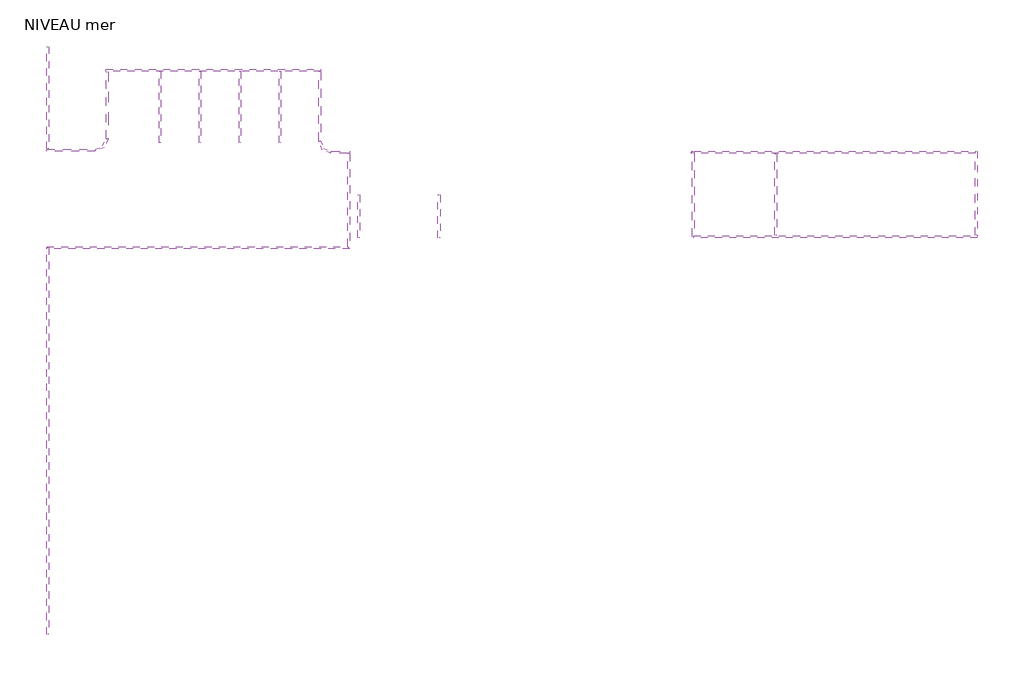
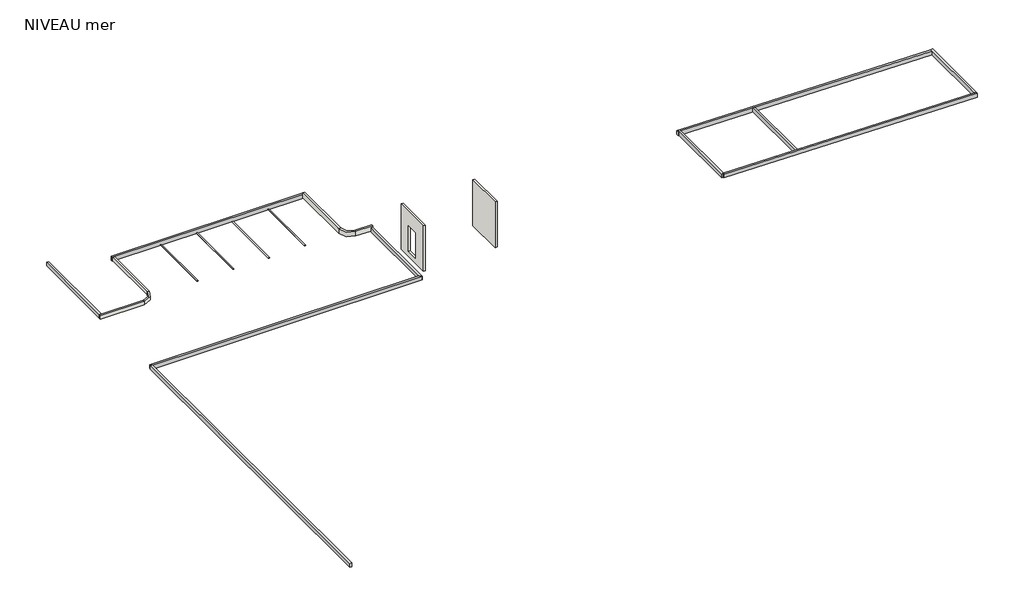
# One storey: 10 beams, 8 walls, 4 proxies.
"""IFC4 building model written with IfcOpenShell, lengths in millimetres."""

import ifcopenshell
import ifcopenshell.guid

model = None  # the IFC model being written
_history = None  # IfcOwnerHistory: only IFC2X3 demands one
_inside = {}  # id of a spatial element -> (the spatial element, [elements in it])
_under = {}  # id of a project, library or spatial element -> (it, [spatial elements below it])
_declared = {}  # id of a project -> (the project, [libraries it declares])
_typed = {}  # id of a type object -> (the type object, [elements of that type])
_made_of = {}  # id of a material, layer set ... -> (it, [elements and type objects made of it])


def new_model(schema):
    """Start an empty IFC model of exactly this schema.

    Asked for "IFC4X3", IfcOpenShell would pick the latest addendum, in which some entities
    have other attributes; the version numbers below select the first issue.
    IFC2X3 requires an IfcOwnerHistory on every rooted entity: one is made here for all.
    """
    global model, _history
    if schema == "IFC4X3":
        model = ifcopenshell.file(schema_version=(4, 3, 0, 0))
    else:
        model = ifcopenshell.file(schema=schema)
    _inside.clear()
    _under.clear()
    _declared.clear()
    _typed.clear()
    _made_of.clear()
    _history = None
    if model.schema == "IFC2X3":
        org = make("IfcOrganization", Name="unknown")
        user = make(
            "IfcPersonAndOrganization",
            ThePerson=make("IfcPerson", FamilyName="unknown"),
            TheOrganization=org,
        )
        app = make(
            "IfcApplication",
            ApplicationDeveloper=org,
            Version="unknown",
            ApplicationFullName="unknown",
            ApplicationIdentifier="unknown",
        )
        _history = make(
            "IfcOwnerHistory",
            OwningUser=user,
            OwningApplication=app,
            ChangeAction="ADDED",
            CreationDate=0,
        )
    return model


def make(cls, **values):
    """One entity of the class cls with the attributes given. An attribute that is None is left unset."""
    return model.create_entity(
        cls, **{name: value for name, value in values.items() if value is not None}
    )


def rooted(cls, **values):
    """An entity with a GlobalId (a new one), such as an element, a storey or a relation."""
    return make(cls, GlobalId=ifcopenshell.guid.new(), OwnerHistory=_history, **values)


def si_unit(unit_type, name, prefix=None):
    """IfcSIUnit, for example si_unit("LENGTHUNIT", "METRE", prefix="MILLI")."""
    return make("IfcSIUnit", UnitType=unit_type, Prefix=prefix, Name=name)


def assignment(units):
    """IfcUnitAssignment: the units of a project."""
    return None if units is None else make("IfcUnitAssignment", Units=units)


def point(xyz):
    """IfcCartesianPoint."""
    return None if xyz is None else make("IfcCartesianPoint", Coordinates=xyz)


def direction(xyz):
    """IfcDirection."""
    return None if xyz is None else make("IfcDirection", DirectionRatios=xyz)


def frame(location, z_axis=None, x_axis=None):
    """IfcAxis2Placement3D, a coordinate frame: its origin and axes. An axis left out is left unset."""
    return make(
        "IfcAxis2Placement3D",
        Location=point(location),
        Axis=direction(z_axis),
        RefDirection=direction(x_axis),
    )


def frame_2d(location, x_axis=None):
    """IfcAxis2Placement2D, a coordinate frame in the plane: its origin and x axis."""
    return make(
        "IfcAxis2Placement2D", Location=point(location), RefDirection=direction(x_axis)
    )


def origin():
    """The frame at (0, 0, 0) with its axes left unset."""
    return frame((0.0, 0.0, 0.0))


def origin_with_axes():
    """The frame at (0, 0, 0) with the z axis (0, 0, 1) and the x axis (1, 0, 0) written out."""
    return frame((0.0, 0.0, 0.0), z_axis=(0.0, 0.0, 1.0), x_axis=(1.0, 0.0, 0.0))


def place(relative_to, where):
    """IfcLocalPlacement: puts the frame where relative to a parent placement (None: the world)."""
    return make(
        "IfcLocalPlacement", PlacementRelTo=relative_to, RelativePlacement=where
    )


def context(
    kind, dimensions, precision=None, world=None, true_north=None, identifier=None
):
    """IfcGeometricRepresentationContext, for example the 3D "Model" context."""
    return make(
        "IfcGeometricRepresentationContext",
        ContextIdentifier=identifier,
        ContextType=kind,
        CoordinateSpaceDimension=dimensions,
        Precision=precision,
        WorldCoordinateSystem=world,
        TrueNorth=true_north,
    )


def project(units=None, contexts=None):
    """IfcProject with its units and contexts."""
    return rooted(
        "IfcProject",
        Name="project",
        RepresentationContexts=contexts,
        UnitsInContext=assignment(units),
    )


def spatial(cls, under=None, at=None, **own):
    """A site, building, storey or space (cls), placed at a placement, below another one or the project."""
    s = rooted(cls, ObjectPlacement=at, **own)
    if under is not None:
        _under.setdefault(under.id(), (under, []))[1].append(s)
    return s


def polyline(points):
    """IfcPolyline through the points."""
    return make("IfcPolyline", Points=[point(p) for p in points])


def circle_curve(where, radius):
    """IfcCircle in the frame where."""
    return make("IfcCircle", Position=where, Radius=radius)


def trimmed(basis, trim1, trim2, sense, master):
    """IfcTrimmedCurve: the piece of a basis curve between two trims."""
    return make(
        "IfcTrimmedCurve",
        BasisCurve=basis,
        Trim1=trim1,
        Trim2=trim2,
        SenseAgreement=sense,
        MasterRepresentation=master,
    )


def segment(curve, same_sense, transition):
    """IfcCompositeCurveSegment."""
    return make(
        "IfcCompositeCurveSegment",
        Transition=transition,
        SameSense=same_sense,
        ParentCurve=curve,
    )


def composite_curve(segments, self_intersect=None):
    """IfcCompositeCurve: segments joined end to end."""
    return make("IfcCompositeCurve", Segments=segments, SelfIntersect=self_intersect)


def outline(outer, holes=None, kind="AREA"):
    """IfcArbitraryClosedProfileDef: a profile drawn as a closed curve; with holes, ...WithVoids."""
    if holes is None:
        return make("IfcArbitraryClosedProfileDef", ProfileType=kind, OuterCurve=outer)
    return make(
        "IfcArbitraryProfileDefWithVoids",
        ProfileType=kind,
        OuterCurve=outer,
        InnerCurves=holes,
    )


def extrude(swept, where, along, depth):
    """IfcExtrudedAreaSolid: the profile swept, set in the frame where, extruded along a direction by depth."""
    return make(
        "IfcExtrudedAreaSolid",
        SweptArea=swept,
        Position=where,
        ExtrudedDirection=direction(along),
        Depth=depth,
    )


def faces_of(points, faces, orient=None, outer=None):
    """IfcFace entities. A face is a list of loops; a loop is a list of indices into points, from 0.

    orient and outer hold one flag for each loop. By default every Orientation is true, the
    first loop of a face is its IfcFaceOuterBound and the others are IfcFaceBound.
    """
    made = []
    for i, loops in enumerate(faces):
        bounds = []
        for j, loop in enumerate(loops):
            is_outer = j == 0 if outer is None else outer[i][j]
            bounds.append(
                make(
                    "IfcFaceOuterBound" if is_outer else "IfcFaceBound",
                    Bound=make("IfcPolyLoop", Polygon=[points[k] for k in loop]),
                    Orientation=True if orient is None else orient[i][j],
                )
            )
        made.append(make("IfcFace", Bounds=bounds))
    return made


def faceted_brep(points, faces, orient=None, outer=None, voids=None):
    """IfcFacetedBrep: a solid bounded by flat faces; with voids (closed shells), ...WithVoids."""
    shared = [point(p) for p in points]
    hull = make("IfcClosedShell", CfsFaces=faces_of(shared, faces, orient, outer))
    if voids is None:
        return make("IfcFacetedBrep", Outer=hull)
    return make(
        "IfcFacetedBrepWithVoids",
        Outer=hull,
        Voids=[
            make(cls, CfsFaces=faces_of(shared, fs, o, b)) for cls, fs, o, b in voids
        ],
    )


def shape(context_of_items, identifier, shape_type, items):
    """IfcShapeRepresentation: the items that make up one representation, for example the "Body"."""
    return make(
        "IfcShapeRepresentation",
        ContextOfItems=context_of_items,
        RepresentationIdentifier=identifier,
        RepresentationType=shape_type,
        Items=items,
    )


def source(mapping_origin, context_of_items, identifier, shape_type, items):
    """IfcRepresentationMap: a shape defined once, which mapped items show again and again."""
    return make(
        "IfcRepresentationMap",
        MappingOrigin=mapping_origin,
        MappedRepresentation=shape(context_of_items, identifier, shape_type, items),
    )


def transform(
    local_origin,
    x_axis=None,
    y_axis=None,
    z_axis=None,
    scale=None,
    scale2=None,
    scale3=None,
    uniform=True,
):
    """IfcCartesianTransformationOperator3D, or its non-uniform kind. x_axis, y_axis, z_axis: its Axis1, 2, 3."""
    if uniform:
        return make(
            "IfcCartesianTransformationOperator3D",
            Axis1=direction(x_axis),
            Axis2=direction(y_axis),
            LocalOrigin=point(local_origin),
            Scale=scale,
            Axis3=direction(z_axis),
        )
    return make(
        "IfcCartesianTransformationOperator3DnonUniform",
        Axis1=direction(x_axis),
        Axis2=direction(y_axis),
        LocalOrigin=point(local_origin),
        Scale=scale,
        Axis3=direction(z_axis),
        Scale2=scale2,
        Scale3=scale3,
    )


def mapped(mapping_source, mapping_target):
    """IfcMappedItem: shows the shape of a source again, moved by a transform."""
    return make(
        "IfcMappedItem", MappingSource=mapping_source, MappingTarget=mapping_target
    )


def made_of(thing, what):
    """Note that an element or type object is made of a material, layer set ...; save() writes the relation."""
    if what is not None:
        _made_of.setdefault(what.id(), (what, []))[1].append(thing)
    return thing


def element(
    cls,
    number,
    at=None,
    inside=None,
    cuts=None,
    type_object=None,
    material=None,
    context=None,
    identifier="Body",
    shape_type=None,
    held_by="IfcProductDefinitionShape",
    body=None,
    shapes=None,
    **own,
):
    """One element of the class cls, such as IfcWall. Its Tag is "e" and its number.

    at: its placement. inside: the storey or other place that contains it. cuts: it is an
    opening in that element (IfcRelVoidsElement). A single representation is given by context,
    identifier, shape_type and body (its items); several are given by shapes. held_by: the class
    of the entity that holds the representations. save() writes the other relations.
    """
    e = rooted(cls, Tag="e%d" % number, ObjectPlacement=at, **own)
    if body is not None:
        shapes = [shape(context, identifier, shape_type, body)]
    if shapes is not None:
        e.Representation = make(held_by, Representations=shapes)
    if inside is not None:
        _inside.setdefault(inside.id(), (inside, []))[1].append(e)
    if cuts is not None:
        rooted(
            "IfcRelVoidsElement", RelatingBuildingElement=cuts, RelatedOpeningElement=e
        )
    if type_object is not None:
        _typed.setdefault(type_object.id(), (type_object, []))[1].append(e)
    return made_of(e, material)


def aggregate(whole, parts):
    """IfcRelAggregates: a whole, such as a stair, and the parts it consists of."""
    return rooted("IfcRelAggregates", RelatingObject=whole, RelatedObjects=parts)


def save(model, path):
    """Write the relations noted so far, then the file.

    IfcRelAggregates (storeys below a building ...), IfcRelContainedInSpatialStructure (elements
    in a storey), IfcRelDefinesByType, IfcRelAssociatesMaterial and IfcRelDeclares: one each for
    every whole, place, type object, material and project.
    """
    for whole, parts in _under.values():
        aggregate(whole, parts)
    for where, things in _inside.values():
        rooted(
            "IfcRelContainedInSpatialStructure",
            RelatedElements=things,
            RelatingStructure=where,
        )
    for kind, things in _typed.values():
        rooted("IfcRelDefinesByType", RelatedObjects=things, RelatingType=kind)
    for what, things in _made_of.values():
        rooted("IfcRelAssociatesMaterial", RelatedObjects=things, RelatingMaterial=what)
    for by, libraries in _declared.values():
        rooted("IfcRelDeclares", RelatingContext=by, RelatedDefinitions=libraries)
    model.write(path)


def plane_surface(at):
    """IfcPlane: the flat surface through the origin of the frame at, square to its z axis."""
    return make("IfcPlane", Position=at)


def cylinder_surface(at, radius):
    """IfcCylindricalSurface: all points at the distance radius from the z axis of the frame at."""
    return make("IfcCylindricalSurface", Position=at, Radius=radius)


def revolved_surface(curve, axis_point, axis_direction):
    """IfcSurfaceOfRevolution: the curve turned about the line through axis_point along axis_direction."""
    return make(
        "IfcSurfaceOfRevolution",
        SweptCurve=make("IfcArbitraryOpenProfileDef", ProfileType="CURVE", Curve=curve),
        AxisPosition=make("IfcAxis1Placement", Location=point(axis_point), Axis=direction(axis_direction)),
    )


def advanced_brep(points, edges, surfaces, faces):
    """IfcAdvancedBrep: a solid bounded by faces that lie on surfaces and meet in shared edges.

    An edge is (start, end): straight between two places in points (the first is 0);
    or (start, end, curve); or (start, end, curve, False) where it runs against its curve.
    A face is (place in surfaces, loops), or (place, loops, False) where it looks against
    its surface's normal. A loop lists edges by number (the first is 1), with a minus sign
    where the edge is run from its end to its start. The first loop is the outer one.
    """
    corners = [point(p) for p in points]
    vertices = [make("IfcVertexPoint", VertexGeometry=c) for c in corners]
    made = []
    for start, end, *more in edges:
        made.append(
            make(
                "IfcEdgeCurve",
                EdgeStart=vertices[start],
                EdgeEnd=vertices[end],
                EdgeGeometry=more[0] if more else make("IfcPolyline", Points=[corners[start], corners[end]]),
                SameSense=more[1] if len(more) > 1 else True,
            )
        )
    hull = []
    for where, loops, *sense in faces:
        bounds = []
        for j, loop in enumerate(loops):
            ring = [make("IfcOrientedEdge", EdgeElement=made[abs(k) - 1], Orientation=k > 0) for k in loop]
            bounds.append(
                make(
                    "IfcFaceOuterBound" if j == 0 else "IfcFaceBound",
                    Bound=make("IfcEdgeLoop", EdgeList=ring),
                    Orientation=True,
                )
            )
        hull.append(make("IfcAdvancedFace", Bounds=bounds, FaceSurface=surfaces[where], SameSense=sense[0] if sense else True))
    return make("IfcAdvancedBrep", Outer=make("IfcClosedShell", CfsFaces=hull))


def m_place_de_parking_4800_x_2400_mm_90_deg_a558168e(model_context):
    return source(origin(), model_context, "Body", "SweptSolid", [
        extrude(outline(polyline([(1249.2, -2400.0), (1350.8, -2400.0), (1350.8, -7200.0), (1249.2, -7200.0), (1249.2, -2400.0)])), origin_with_axes(), (0.0, 0.0, 1.0), 3.175),
    ])


model = new_model("IFC4")

# Units and contexts
model_context = context("Model", 3, world=origin())
ifc_project = project(units=[si_unit("LENGTHUNIT", "METRE", prefix="MILLI")], contexts=[model_context])

# Site, building, storey
site = spatial("IfcSite", under=ifc_project)
building = spatial("IfcBuilding", under=site)
storey = spatial("IfcBuildingStorey", under=building, Name="NIVEAU mer", Elevation=2540.0)

# Beams
placement = place(None, origin())
element("IfcBeam", 1, ObjectType="Concrete-Rectangular Beam : 150 x 300mm", at=placement, inside=storey, context=model_context, shape_type="Brep", body=[
    faceted_brep([(-10549.9588645, 14814.5691113, 10137.5158741), (-10399.9588645, 14664.5369672, 10137.4997405), (-10399.9588645, 21091.311899, 10138.1908385), (-10549.9588645, 21091.3118989, 10138.1908385), (-10399.9588645, 14664.5693419, 9837.4997423), (-10399.9588645, 21093.4534537, 9838.1910671), (-10399.9588645, 21093.4534537, 9882.9), (-10399.9588645, 21091.311899, 9882.9), (-10549.9588645, 14814.601486, 9837.5158759), (-10549.9588645, 21093.4534537, 9838.1910671), (-10549.9588645, 21091.311899, 9882.9), (-10549.9588645, 21093.4534537, 9882.9)], [[[0, 1, 2, 3]], [[4, 5, 6, 7, 2, 1]], [[5, 4, 8, 9]], [[9, 8, 0, 3, 10, 11]], [[0, 8, 4, 1]], [[7, 10, 3, 2]], [[10, 7, 6, 11]], [[5, 9, 11, 6]]]),
])
element("IfcBeam", 2, ObjectType="Concrete-Rectangular Beam : 150 x 300mm", at=placement, inside=storey, context=model_context, shape_type="SweptSolid", body=[
    extrude(outline(polyline([(0.0, -150.0), (0.0, 0.0), (26074.1069029, 0.0), (26074.1069029, -150.0), (0.0, -150.0)])), frame((-30842.6451089, -11334.5376787, 9837.5), z_axis=(0.0, -1.1961262479751083e-09, 1.0), x_axis=(0.0, 1.0, 1.1961262479751083e-09)), (0.0, 0.0, 1.0), 300.0),
])
element("IfcBeam", 3, ObjectType="Concrete-Rectangular Beam : 150 x 300mm", at=placement, inside=storey, context=model_context, shape_type="Brep", body=[
    faceted_brep([(-30834.9597416, 14664.5692266, 10137.5000312), (-30834.9597416, 14814.5692266, 10137.5000312), (-30834.9596272, 14814.5692266, 9837.5000312), (-30834.9596272, 14664.5692266, 9837.5000312), (-10399.9911179, 14664.5692266, 10137.5078244), (-10549.9589789, 14814.5692266, 10137.5077672), (-10549.9266112, 14814.5692266, 9837.5077672), (-10399.9587501, 14664.5692266, 9837.5078244)], [[[0, 1, 2, 3]], [[1, 0, 4, 5]], [[2, 1, 5, 6]], [[3, 2, 6, 7]], [[0, 3, 7, 4]], [[4, 7, 6, 5]]]),
])
element("IfcBeam", 4, ObjectType="Concrete-Rectangular Beam : 150 x 300mm", at=placement, inside=storey, context=model_context, shape_type="SweptSolid", body=[
    extrude(outline(polyline([(-26852.4823574, 26614.4440298), (-26852.4823574, 26764.4440298), (-12352.4823574, 26764.4440298), (-12352.4823574, 26614.4440298), (-26852.4823574, 26614.4440298)])), frame((0.0, 0.0, 9837.5), z_axis=(0.0, 0.0, 1.0), x_axis=(1.0, 0.0, 0.0)), (0.0, 0.0, 1.0), 300.0),
])
element("IfcBeam", 5, ObjectType="Concrete-Rectangular Beam : 150 x 300mm", at=placement, inside=storey, context=model_context, shape_type="SweptSolid", body=[
    extrude(outline(polyline([(-30842.31409, 28295.4623315), (-30692.31409, 28295.4623315), (-30692.31409, 21395.4623315), (-30842.31409, 21395.4623315), (-30842.31409, 28295.4623315)])), frame((0.0, 0.0, 9837.5), z_axis=(0.0, 0.0, 1.0), x_axis=(1.0, 0.0, 0.0)), (0.0, 0.0, 1.0), 300.0),
])
element("IfcBeam", 6, ObjectType="Concrete-Rectangular Beam : 150 x 300mm", at=placement, inside=storey, context=model_context, shape_type="SweptSolid", body=[
    extrude(outline(polyline([(0.0, -150.0), (0.0, 0.0), (5525.0, 0.0), (5525.0, -150.0), (0.0, -150.0)])), frame((18390.5508429, 21082.0150216, 9318.1916982), z_axis=(0.0, -0.00012228976556899425, 0.9999999925226066), x_axis=(0.0, -0.9999999925226066, -0.00012228976556899425)), (0.0, 0.0, 1.0), 300.0),
])
element("IfcBeam", 7, ObjectType="Concrete-Rectangular Beam : 150 x 300mm", at=placement, inside=storey, context=model_context, shape_type="Brep", body=[
    faceted_brep([(12672.5733632, 21239.8343074, 9692.5170706), (12822.5733632, 21239.8343074, 9692.5170706), (12822.5733632, 21239.8343063, 9392.5170706), (12672.5733632, 21239.8343063, 9392.5170706), (12672.5733632, 15479.8343074, 9692.5170927), (12672.5733632, 15479.8343063, 9392.5170927), (12822.5733632, 15479.8343063, 9392.5170927), (12822.5733632, 15479.8343074, 9692.5170927), (12822.5733632, 21086.0036126, 9392.5170712), (12822.5733632, 21236.0036126, 9392.5170706), (12672.5733632, 21086.0036126, 9392.5170712), (12672.5733632, 21236.0036126, 9392.5170706)], [[[0, 1, 2, 3]], [[4, 5, 6, 7]], [[1, 0, 4, 7]], [[2, 1, 7, 6, 8, 9]], [[3, 2, 9, 8, 6, 5, 10, 11]], [[0, 3, 11, 10, 5, 4]]]),
])
element("IfcBeam", 8, ObjectType="Concrete-Rectangular Beam : 150 x 300mm", at=placement, inside=storey, context=model_context, shape_type="SweptSolid", body=[
    extrude(outline(polyline([(0.0, -150.0), (0.0, 0.0), (19134.9999999, 0.0), (19134.9999999, -150.0), (0.0, -150.0)])), frame((12770.9358604, 15554.8342986, 9398.8115349), z_axis=(0.013773417308408104, 0.0, 0.9999051419888031), x_axis=(0.9999051419888031, 0.0, -0.013773417308408104)), (0.0, 0.0, 1.0), 300.0),
])
element("IfcBeam", 9, ObjectType="Concrete-Rectangular Beam : 150 x 300mm", at=placement, inside=storey, context=model_context, shape_type="Brep", body=[
    faceted_brep([(12618.200147, 21086.0036126, 9684.4020027), (12618.200147, 21236.0036126, 9684.4020027), (12613.9770882, 21236.0036126, 9384.4317279), (12613.9770882, 21086.0036126, 9384.4317279), (31776.3016987, 21086.0036126, 9414.6893172), (31772.518739, 21086.0036126, 9145.9799459), (31772.07864, 21086.0036126, 9114.7190424), (31772.07864, 21236.0036126, 9114.7190424), (31772.5189938, 21236.0036126, 9145.998044), (31776.3016987, 21236.0036126, 9414.6893172), (12672.5733632, 21086.0036126, 9683.6365226), (12672.5733632, 21236.0036126, 9683.6365226), (12672.5733632, 21236.0036126, 9392.5170706), (12822.5733632, 21236.0036126, 9392.5170706), (12822.5733632, 21236.0036126, 9681.5247839), (31760.5508429, 21236.0036126, 9414.9110618), (31760.5508429, 21086.0036126, 9414.9110618), (12822.5733632, 21086.0036126, 9681.5247839), (12822.5733632, 21086.0036126, 9392.5170712), (12672.5733632, 21086.0036126, 9392.5170712)], [[[0, 1, 2, 3]], [[4, 5, 6, 7, 8, 9]], [[1, 0, 10, 11]], [[2, 1, 11, 12, 13, 14, 15, 9, 8, 7]], [[3, 2, 7, 6]], [[0, 3, 6, 5, 4, 16, 17, 18, 19, 10]], [[13, 18, 17, 14]], [[18, 13, 12, 19]], [[19, 12, 11, 10]], [[4, 9, 15, 14, 17, 16]]]),
])
element("IfcBeam", 10, ObjectType="Concrete-Rectangular Beam : 150 x 300mm", at=placement, inside=storey, context=model_context, shape_type="Brep", body=[
    faceted_brep([(31760.5508429, 21238.9599781, 9445.9984029), (31910.5508429, 21238.9599781, 9445.9984029), (31910.5508429, 21238.9961742, 9145.998405), (31760.5508429, 21238.9961742, 9145.998405), (31760.5508429, 15558.9600195, 9445.3130902), (31760.5508429, 15558.9962156, 9145.3130923), (31910.5508429, 15558.9962156, 9145.3130923), (31910.5508429, 15558.9600195, 9445.3130902), (31760.5508429, 21086.0036126, 9145.9799459), (31772.518739, 21086.0036126, 9145.9799459), (31772.5189938, 21236.0036126, 9145.998044), (31760.5508429, 21236.0036126, 9145.998044), (31760.5508429, 21236.0036126, 9414.9110618), (31760.5508429, 21086.0036126, 9414.9110618), (31776.3016987, 21236.0036126, 9414.6893172), (31776.3016987, 21086.0036126, 9414.6893172)], [[[0, 1, 2, 3]], [[4, 5, 6, 7]], [[1, 0, 4, 7]], [[2, 1, 7, 6]], [[3, 2, 6, 5, 8, 9, 10, 11]], [[0, 3, 11, 12, 13, 8, 5, 4]], [[14, 12, 11, 10]], [[13, 15, 9, 8]], [[14, 15, 13, 12]], [[15, 14, 10, 9]]]),
])

# Proxies
m_place_de_parking_4800_x_2400_mm_90_deg_shape = m_place_de_parking_4800_x_2400_mm_90_deg_a558168e(model_context)
element("IfcBuildingElementProxy", 11, Name="M_Place de parking : 4800 x 2400 mm - 90 deg", ObjectType="M_Place de parking : 4800 x 2400 mm - 90 deg", at=placement, inside=storey, context=model_context, shape_type="MappedRepresentation", body=[
    mapped(m_place_de_parking_4800_x_2400_mm_90_deg_shape, transform((-16399.9588645, 29014.4440298, 9882.9), x_axis=(1.0, 0.0, 0.0), y_axis=(0.0, 1.0, 0.0), z_axis=(0.0, 0.0, 1.0))),
])
element("IfcBuildingElementProxy", 12, Name="M_Place de parking : 4800 x 2400 mm - 90 deg", ObjectType="M_Place de parking : 4800 x 2400 mm - 90 deg", at=placement, inside=storey, context=model_context, shape_type="MappedRepresentation", body=[
    mapped(m_place_de_parking_4800_x_2400_mm_90_deg_shape, transform((-19101.5588645, 29014.4440298, 9840.0), x_axis=(1.0, 0.0, 0.0), y_axis=(0.0, 1.0, 0.0), z_axis=(0.0, 0.0, 1.0))),
])
element("IfcBuildingElementProxy", 13, Name="M_Place de parking : 4800 x 2400 mm - 90 deg", ObjectType="M_Place de parking : 4800 x 2400 mm - 90 deg", at=placement, inside=storey, context=model_context, shape_type="MappedRepresentation", body=[
    mapped(m_place_de_parking_4800_x_2400_mm_90_deg_shape, transform((-21803.1588645, 29014.4440298, 9882.9), x_axis=(1.0, 0.0, 0.0), y_axis=(0.0, 1.0, 0.0), z_axis=(0.0, 0.0, 1.0))),
])
element("IfcBuildingElementProxy", 14, Name="M_Place de parking : 4800 x 2400 mm - 90 deg", ObjectType="M_Place de parking : 4800 x 2400 mm - 90 deg", at=placement, inside=storey, context=model_context, shape_type="MappedRepresentation", body=[
    mapped(m_place_de_parking_4800_x_2400_mm_90_deg_shape, transform((-24504.7588645, 29014.4440298, 9882.9), x_axis=(1.0, 0.0, 0.0), y_axis=(0.0, 1.0, 0.0), z_axis=(0.0, 0.0, 1.0))),
])

# Walls
element("IfcWall", 15, at=placement, inside=storey, context=model_context, shape_type="Brep", body=[
    faceted_brep([(-30851.2168239, 21235.4517939, 9882.9267555), (-27551.2168239, 21235.4517939, 9882.9267555), (-27551.2168239, 21235.4517939, 9887.7164614), (-27551.2168239, 21235.4517939, 10140.0), (-30851.2168239, 21235.4517939, 10140.0), (-30851.2168239, 21385.4517939, 9882.9267555), (-30851.2168239, 21385.4517939, 10140.0), (-27551.2168239, 21385.4517939, 10140.0), (-27551.2168239, 21385.4517939, 9887.7164614), (-27551.2168239, 21385.4517939, 9882.9267555)], [[[0, 1, 2, 3, 4]], [[5, 6, 7, 8, 9]], [[1, 0, 5, 9]], [[3, 2, 1, 9, 8, 7]], [[4, 3, 7, 6]], [[0, 4, 6, 5]]]),
])
element("IfcWall", 16, at=placement, inside=storey, context=model_context, shape_type="SweptSolid", body=[
    extrude(outline(composite_curve([segment(polyline([(-26842.273128, 22089.6947184), (-26692.2764474, 22088.6968206)]), True, "CONTINUOUS"), segment(trimmed(circle_curve(frame_2d((-27551.2168239, 22094.4111784)), 858.9593845), [point((-26692.2764474, 22088.6968206))], [point((-27551.2168239, 21235.4517939))], False, "CARTESIAN"), True, "CONTINUOUS"), segment(polyline([(-27551.2168239, 21235.4517939), (-27551.2168239, 21385.4517939)]), True, "CONTINUOUS"), segment(trimmed(circle_curve(frame_2d((-27551.2168239, 22094.4111784)), 708.9593845), [point((-27551.2168239, 21385.4517939))], [point((-26842.273128, 22089.6947184))], True, "CARTESIAN"), True, "CONTINUOUS")], self_intersect=False)), frame((0.0, 0.0, 9887.7164614), z_axis=(0.0, 0.0, 1.0), x_axis=(1.0, 0.0, 0.0)), (0.0, 0.0, 1.0), 252.2835386),
])
element("IfcWall", 17, at=placement, inside=storey, context=model_context, shape_type="AdvancedBrep", body=[
    advanced_brep(
    [(-26841.7841861, 26607.8215763, 10140.0), (-26842.273128, 22089.6947184, 10140.0), (-26692.2764474, 22088.6968206, 10140.0), (-26691.787293, 26608.7870094, 10140.0), (-26841.7841861, 26607.8215763, 9883.8511673), (-26691.787293, 26608.7870094, 9883.8511673), (-26692.2764474, 22088.6968206, 9883.8511673), (-26842.273128, 22089.6947184, 9883.8511673), (-26842.273128, 22089.6947184, 9887.7164614), (-26692.2764474, 22088.6968206, 9887.7164614)],
    [
        (0, 1, circle_curve(frame((-372023.0181008, 24386.1128858, 10140.0), z_axis=(0.0, 0.0, -1.0), x_axis=(1.0, 0.0, 0.0)), 345188.3836926)),
        (1, 2),
        (2, 3, circle_curve(frame((-372023.0181008, 24386.1128858, 10140.0), z_axis=(0.0, 0.0, 1.0), x_axis=(1.0, 0.0, 0.0)), 345338.3836926)),
        (3, 0),
        (4, 5),
        (5, 6, circle_curve(frame((-372023.0181008, 24386.1128858, 9883.8511673), z_axis=(0.0, 0.0, -1.0), x_axis=(1.0, 0.0, 0.0)), 345338.3836926)),
        (6, 7),
        (7, 4, circle_curve(frame((-372023.0181008, 24386.1128858, 9883.8511673), z_axis=(0.0, 0.0, 1.0), x_axis=(1.0, 0.0, 0.0)), 345188.3836926)),
        (0, 4),
        (7, 8),
        (8, 1),
        (6, 9),
        (9, 2),
        (5, 3),
    ],
    [
        plane_surface(frame((-26834.6344081, 24386.1128858, 10140.0), z_axis=(0.0, 0.0, 1.0), x_axis=(0.0, -1.0, 0.0))),
        plane_surface(frame((-26834.6344081, 24386.1128858, 9883.8511673), z_axis=(0.0, 0.0, -1.0), x_axis=(0.0, 1.0, 0.0))),
        revolved_surface(polyline([(-26834.634408199985, 24386.1128858, 9883.8511673), (-26834.634408199985, 24386.1128858, 10140.0)]), (-372023.0181008, 24386.1128858, 9883.8511673), (0.0, 0.0, -1.0)),
        plane_surface(frame((-26842.273128, 22089.6947184, 10140.0), z_axis=(-0.006652651946021773, -0.9999778708661933, 0.0), x_axis=(0.0, 0.0, -1.0))),
        cylinder_surface(frame((-372023.0181008, 24386.1128858, 9883.8511673), z_axis=(0.0, 0.0, 1.0), x_axis=(1.0, 0.0, 0.0)), 345338.3836926),
        plane_surface(frame((-26691.787293, 26608.7870094, 10140.0), z_axis=(-0.006436220887795234, 0.9999792873158342, 0.0), x_axis=(0.0, 0.0, -1.0))),
    ],
    [
        (0, [[1, 2, 3, 4]]),
        (1, [[5, 6, 7, 8]]),
        (2, [[-1, 9, -8, 10, 11]]),
        (3, [[-2, -11, -10, -7, 12, 13]]),
        (4, [[-3, -13, -12, -6, 14]]),
        (5, [[-4, -14, -5, -9]]),
    ],
),
])
element("IfcWall", 18, at=placement, inside=storey, context=model_context, shape_type="SweptSolid", body=[
    extrude(outline(polyline([(-12499.9588645, 21914.4440298), (-12499.9588645, 26614.4440298), (-12349.9588645, 26614.4440298), (-12349.9588645, 21914.4440298), (-12499.9588645, 21914.4440298)])), frame((0.0, 0.0, 9882.9), z_axis=(0.0, 0.0, 1.0), x_axis=(1.0, 0.0, 0.0)), (0.0, 0.0, 1.0), 374.2),
])
element("IfcWall", 19, at=placement, inside=storey, context=model_context, shape_type="SweptSolid", body=[
    extrude(outline(composite_curve([segment(polyline([(-11676.8267337, 21241.311899), (-11676.8267337, 21091.311899)]), True, "CONTINUOUS"), segment(trimmed(circle_curve(frame_2d((-11676.8267337, 21914.4440298)), 823.1321309), [point((-11676.8267337, 21091.311899))], [point((-12499.9588645, 21914.4440298))], False, "CARTESIAN"), True, "CONTINUOUS"), segment(polyline([(-12499.9588645, 21914.4440298), (-12349.9588645, 21914.4440298)]), True, "CONTINUOUS"), segment(trimmed(circle_curve(frame_2d((-11676.8267337, 21914.4440298)), 673.1321309), [point((-12349.9588645, 21914.4440298))], [point((-11676.8267337, 21241.311899))], True, "CARTESIAN"), True, "CONTINUOUS")], self_intersect=False)), frame((0.0, 0.0, 9882.9), z_axis=(0.0, 0.0, 1.0), x_axis=(1.0, 0.0, 0.0)), (0.0, 0.0, 1.0), 374.2),
])
element("IfcWall", 20, at=placement, inside=storey, context=model_context, shape_type="Brep", body=[
    faceted_brep([(-11676.8267337, 21091.311899, 9882.9), (-10549.9588645, 21091.311899, 9882.9), (-10399.9588645, 21091.311899, 9882.9), (-10396.8267337, 21091.311899, 9882.9), (-10396.8267337, 21091.311899, 10257.1), (-11676.8267337, 21091.311899, 10257.1), (-11676.8267337, 21241.311899, 9882.9), (-11676.8267337, 21241.311899, 10257.1), (-10396.8267337, 21241.311899, 10257.1), (-10396.8267337, 21241.311899, 9882.9)], [[[0, 1, 2, 3, 4, 5]], [[6, 7, 8, 9]], [[3, 2, 1, 0, 6, 9]], [[4, 3, 9, 8]], [[5, 4, 8, 7]], [[0, 5, 7, 6]]]),
])
element("IfcWall", 21, at=placement, inside=storey, context=model_context, shape_type="Brep", body=[
    faceted_brep([(-9884.9588645, 18294.2996284, 9882.9), (-9884.9588645, 15394.8822304, 9882.9), (-9884.9588645, 15394.8822304, 10250.0), (-9884.9588645, 15394.8822304, 13522.2773678), (-9884.9588645, 18294.2996284, 13522.2773678), (-9884.9588645, 18294.2996284, 10250.0), (-9884.9588645, 17331.7590677, 12354.5326399), (-9884.9588645, 16409.1349714, 12354.5326399), (-9884.9588645, 16409.1349714, 10311.3354717), (-9884.9588645, 17331.7590677, 10311.3354717), (-9734.9588645, 15394.8822304, 9882.9), (-9734.9588645, 18294.2996284, 9882.9), (-9734.9588645, 18294.2996284, 13522.2773678), (-9734.9588645, 15394.8822304, 13522.2773678), (-9734.9588645, 16409.1349714, 12354.5326399), (-9734.9588645, 17331.7590677, 12354.5326399), (-9734.9588645, 17331.7590677, 10311.3354717), (-9734.9588645, 16409.1349714, 10311.3354717)], [[[0, 1, 2, 3, 4, 5], [6, 7, 8, 9]], [[10, 11, 12, 13], [14, 15, 16, 17]], [[1, 0, 11, 10]], [[4, 3, 13, 12]], [[0, 5, 4, 12, 11]], [[3, 2, 1, 10, 13]], [[6, 15, 14, 7]], [[8, 17, 16, 9]], [[15, 6, 9, 16]], [[7, 14, 17, 8]]]),
])
element("IfcWall", 22, at=placement, inside=storey, context=model_context, shape_type="Brep", body=[
    faceted_brep([(-4464.6736623, 18294.2996284, 9882.9), (-4464.6736623, 15394.8822304, 9882.9), (-4464.6736623, 15394.8822304, 13522.2773678), (-4464.6736623, 18294.2996284, 13522.2773678), (-4314.6736623, 18294.2996284, 9882.9), (-4314.6736623, 18294.2996284, 13522.2773678), (-4314.6736623, 15394.8822304, 13522.2773678), (-4314.6736623, 15394.8822304, 10250.0), (-4314.6736623, 15394.8822304, 9882.9)], [[[0, 1, 2, 3]], [[4, 5, 6, 7, 8]], [[1, 0, 4, 8]], [[3, 2, 6, 5]], [[0, 3, 5, 4]], [[2, 1, 8, 7, 6]]]),
])

save(model, "model.ifc")
